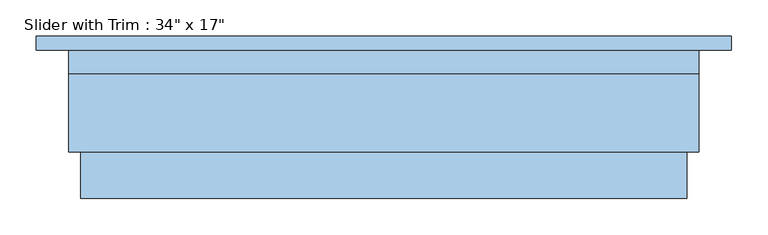
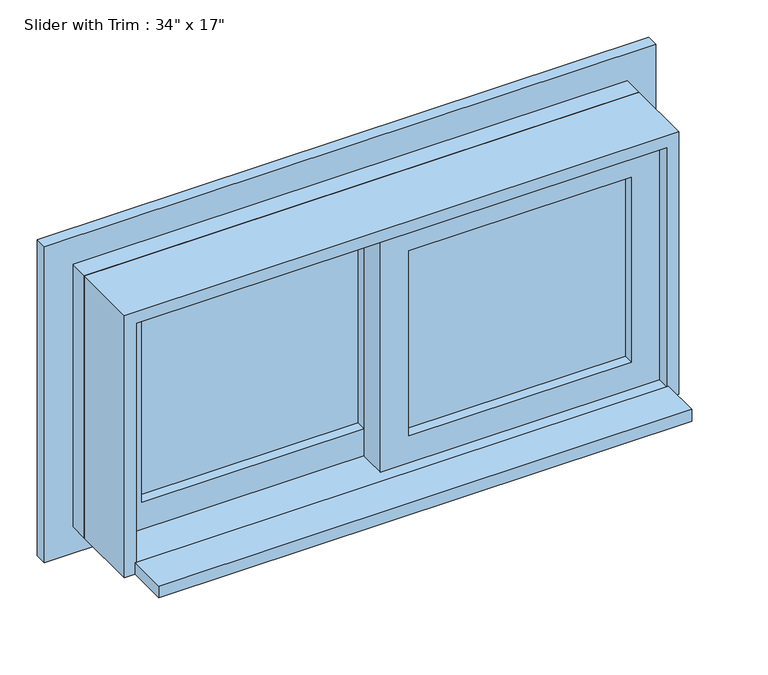
"""IFC4 building model written with IfcOpenShell, lengths in millimetres: window geometry."""

from ifc_helpers import new_model, si_unit, frame, origin, place, context, project, spatial, polyline, outline, extrude, source, transform, mapped, element, save


def window_23d85096(model_context):
    return source(origin(), model_context, "Body", "SweptSolid", [
        extrude(outline(polyline([(-368.3, 9.525), (-368.3, 22.225), (-22.225, 22.225), (-22.225, 9.525), (-368.3, 9.525)])), frame((0.0, 0.0, 977.9), z_axis=(0.0, 0.0, 1.0), x_axis=(1.0, 0.0, 0.0)), (0.0, 0.0, 1.0), 304.8),
        extrude(outline(polyline([(1327.15, -412.75), (933.45, -412.75), (933.45, 22.225), (1327.15, 22.225), (1327.15, -412.75)]), holes=[polyline([(1282.7, -368.3), (1282.7, -22.225), (977.9, -22.225), (977.9, -368.3), (1282.7, -368.3)])]), frame((0.0, -6.35, 0.0), z_axis=(0.0, 1.0, 0.0), x_axis=(0.0, 0.0, 1.0)), (0.0, 0.0, 1.0), 44.45),
        extrude(outline(polyline([(-415.3296875, -133.35), (-415.3296875, -69.85), (415.3296875, -69.85), (415.3296875, -133.35), (-415.3296875, -133.35)])), frame((0.0, 0.0, 914.4), z_axis=(0.0, 0.0, 1.0), x_axis=(1.0, 0.0, 0.0)), (0.0, 0.0, 1.0), 19.05),
        extrude(outline(polyline([(1390.65, 476.25), (1390.65, -476.25), (869.95, -476.25), (869.95, 476.25), (1390.65, 476.25)]), holes=[polyline([(1314.45, 400.05), (946.15, 400.05), (946.15, -400.05), (1314.45, -400.05), (1314.45, 400.05)])]), frame((0.0, 69.85, 0.0), z_axis=(0.0, 1.0, 0.0), x_axis=(0.0, 0.0, 1.0)), (0.0, 0.0, 1.0), 19.05),
        extrude(outline(polyline([(368.3, -22.225), (368.3, -34.925), (22.225, -34.925), (22.225, -22.225), (368.3, -22.225)])), frame((0.0, 0.0, 977.9), z_axis=(0.0, 0.0, 1.0), x_axis=(1.0, 0.0, 0.0)), (0.0, 0.0, 1.0), 304.8),
        extrude(outline(polyline([(1327.15, -22.225), (933.45, -22.225), (933.45, 412.75), (1327.15, 412.75), (1327.15, -22.225)]), holes=[polyline([(1282.7, 22.225), (1282.7, 368.3), (977.9, 368.3), (977.9, 22.225), (1282.7, 22.225)])]), frame((0.0, -50.8, 0.0), z_axis=(0.0, 1.0, 0.0), x_axis=(0.0, 0.0, 1.0)), (0.0, 0.0, 1.0), 44.45),
        extrude(outline(polyline([(1346.2, -431.8), (914.4, -431.8), (914.4, 431.8), (1346.2, 431.8), (1346.2, -431.8)]), holes=[polyline([(1314.45, -400.05), (1314.45, 400.05), (946.15, 400.05), (946.15, -400.05), (1314.45, -400.05)])]), frame((0.0, 38.1, 0.0), z_axis=(0.0, 1.0, 0.0), x_axis=(0.0, 0.0, 1.0)), (0.0, 0.0, 1.0), 31.75),
        extrude(outline(polyline([(1346.2, 431.8), (1346.2, -431.8), (914.4, -431.8), (914.4, 431.8), (1346.2, 431.8)]), holes=[polyline([(1327.15, 412.75), (933.45, 412.75), (933.45, -412.75), (1327.15, -412.75), (1327.15, 412.75)])]), frame((0.0, -69.85, 0.0), z_axis=(0.0, 1.0, 0.0), x_axis=(0.0, 0.0, 1.0)), (0.0, 0.0, 1.0), 107.95),
    ])


if __name__ == "__main__":
    model = new_model("IFC4")
    model_context = context("Model", 3, world=origin())
    ifc_project = project(units=[si_unit("LENGTHUNIT", "METRE", prefix="MILLI")], contexts=[model_context])
    site = spatial("IfcSite", under=ifc_project)
    building = spatial("IfcBuilding", under=site)
    placement = place(None, origin())
    window_shape = window_23d85096(model_context)
    element("IfcWindow", 1, ObjectType="Slider with Trim : 34\" x 17\"", at=placement, inside=building, context=model_context, shape_type="MappedRepresentation", body=[
        mapped(window_shape, transform((0.0, 0.0, 0.0), x_axis=(1.0, 0.0, 0.0), y_axis=(0.0, 1.0, 0.0), z_axis=(0.0, 0.0, 1.0))),
    ])
    save(model, "model.ifc")
